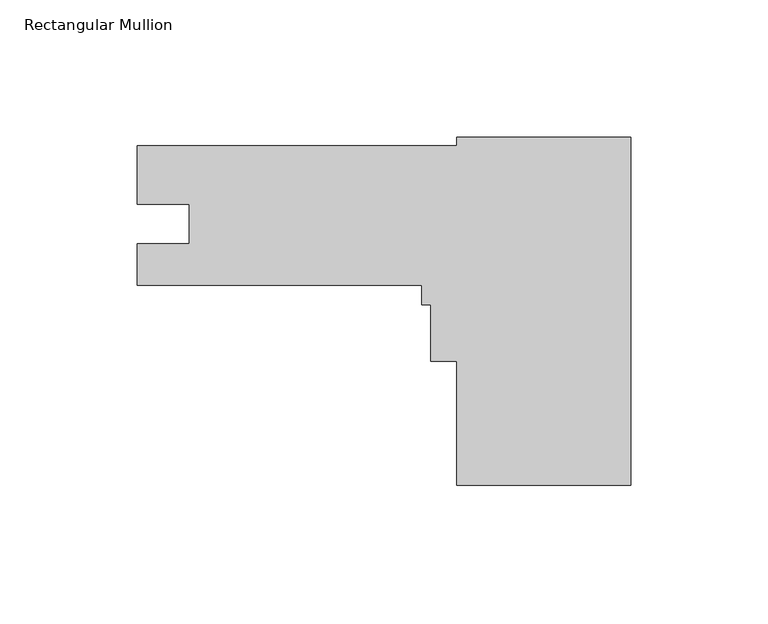
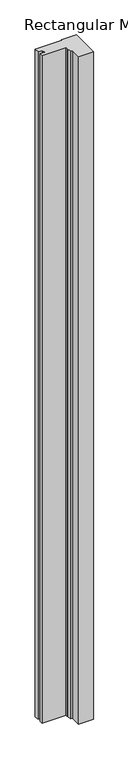
"""IFC4 building model written with IfcOpenShell, lengths in millimetres: member geometry, Rectangular Mullion."""

from ifc_helpers import new_model, si_unit, frame, origin, place, context, project, spatial, polyline, outline, extrude, source, transform, mapped, element, save


def rectangular_mullion_2e50cb95(model_context):
    return source(origin(), model_context, "Body", "SweptSolid", [
        extrude(outline(polyline([(-63.5, -127.0531311), (-63.5, -81.8154771), (-73.025, -81.8154771), (-73.025, -61.1906771), (-76.2, -61.1906771), (-76.2, -54.0281311), (-180.0860013, -54.0281311), (-180.0860013, -38.9278311), (-161.0614013, -38.9278311), (-161.0614013, -24.6149377), (-180.086, -24.6149377), (-180.086, -3.2281311), (-63.5, -3.2281311), (-63.5, -0.0531311), (0.0, -0.0531311), (0.0, -127.0531311), (-63.5, -127.0531311)])), frame((0.0, 0.0, -3048.0), z_axis=(0.0, 0.0, 1.0), x_axis=(1.0, 0.0, 0.0)), (0.0, 0.0, 1.0), 3048.0),
    ])


if __name__ == "__main__":
    model = new_model("IFC4")
    model_context = context("Model", 3, world=origin())
    ifc_project = project(units=[si_unit("LENGTHUNIT", "METRE", prefix="MILLI")], contexts=[model_context])
    site = spatial("IfcSite", under=ifc_project)
    building = spatial("IfcBuilding", under=site)
    placement = place(None, origin())
    rectangular_mullion_shape = rectangular_mullion_2e50cb95(model_context)
    element("IfcMember", 1, ObjectType="Rectangular Mullion", at=placement, inside=building, context=model_context, shape_type="MappedRepresentation", body=[
        mapped(rectangular_mullion_shape, transform((0.0, 0.0, 0.0), x_axis=(1.0, 0.0, 0.0), y_axis=(0.0, 1.0, 0.0), z_axis=(0.0, 0.0, 1.0))),
    ])
    save(model, "model.ifc")
